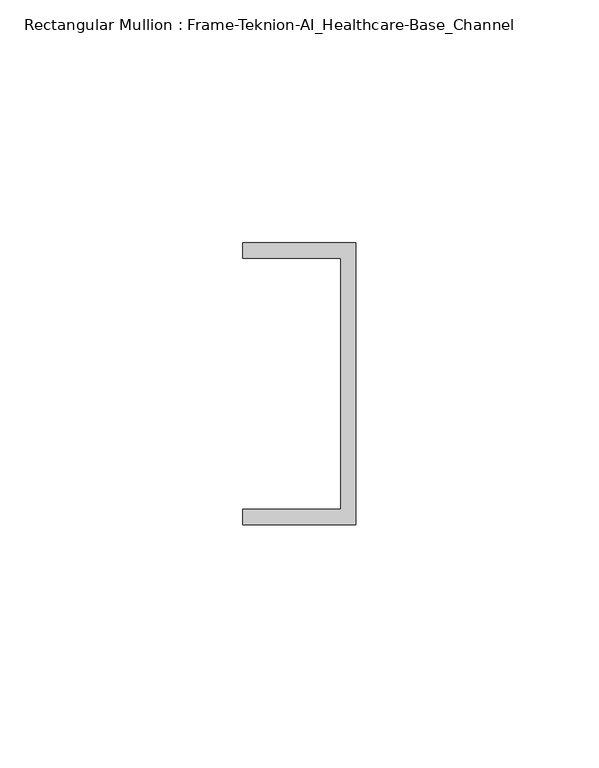
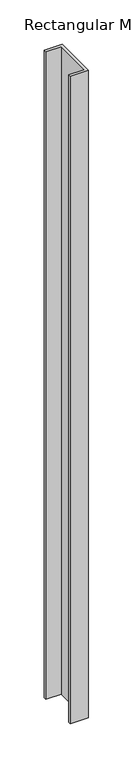
"""IFC4 building model written with IfcOpenShell, lengths in millimetres: member geometry, Rectangular Mullion : Frame-Teknion-AI_Healthcare-Base_Channel."""

import ifcopenshell
import ifcopenshell.guid

model = None  # the IFC model being written
_history = None  # IfcOwnerHistory: only IFC2X3 demands one
_inside = {}  # id of a spatial element -> (the spatial element, [elements in it])
_under = {}  # id of a project, library or spatial element -> (it, [spatial elements below it])
_declared = {}  # id of a project -> (the project, [libraries it declares])
_typed = {}  # id of a type object -> (the type object, [elements of that type])
_made_of = {}  # id of a material, layer set ... -> (it, [elements and type objects made of it])


def new_model(schema):
    """Start an empty IFC model of exactly this schema.

    Asked for "IFC4X3", IfcOpenShell would pick the latest addendum, in which some entities
    have other attributes; the version numbers below select the first issue.
    IFC2X3 requires an IfcOwnerHistory on every rooted entity: one is made here for all.
    """
    global model, _history
    if schema == "IFC4X3":
        model = ifcopenshell.file(schema_version=(4, 3, 0, 0))
    else:
        model = ifcopenshell.file(schema=schema)
    _inside.clear()
    _under.clear()
    _declared.clear()
    _typed.clear()
    _made_of.clear()
    _history = None
    if model.schema == "IFC2X3":
        org = make("IfcOrganization", Name="unknown")
        user = make(
            "IfcPersonAndOrganization",
            ThePerson=make("IfcPerson", FamilyName="unknown"),
            TheOrganization=org,
        )
        app = make(
            "IfcApplication",
            ApplicationDeveloper=org,
            Version="unknown",
            ApplicationFullName="unknown",
            ApplicationIdentifier="unknown",
        )
        _history = make(
            "IfcOwnerHistory",
            OwningUser=user,
            OwningApplication=app,
            ChangeAction="ADDED",
            CreationDate=0,
        )
    return model


def make(cls, **values):
    """One entity of the class cls with the attributes given. An attribute that is None is left unset."""
    return model.create_entity(
        cls, **{name: value for name, value in values.items() if value is not None}
    )


def rooted(cls, **values):
    """An entity with a GlobalId (a new one), such as an element, a storey or a relation."""
    return make(cls, GlobalId=ifcopenshell.guid.new(), OwnerHistory=_history, **values)


def si_unit(unit_type, name, prefix=None):
    """IfcSIUnit, for example si_unit("LENGTHUNIT", "METRE", prefix="MILLI")."""
    return make("IfcSIUnit", UnitType=unit_type, Prefix=prefix, Name=name)


def assignment(units):
    """IfcUnitAssignment: the units of a project."""
    return None if units is None else make("IfcUnitAssignment", Units=units)


def point(xyz):
    """IfcCartesianPoint."""
    return None if xyz is None else make("IfcCartesianPoint", Coordinates=xyz)


def direction(xyz):
    """IfcDirection."""
    return None if xyz is None else make("IfcDirection", DirectionRatios=xyz)


def frame(location, z_axis=None, x_axis=None):
    """IfcAxis2Placement3D, a coordinate frame: its origin and axes. An axis left out is left unset."""
    return make(
        "IfcAxis2Placement3D",
        Location=point(location),
        Axis=direction(z_axis),
        RefDirection=direction(x_axis),
    )


def origin():
    """The frame at (0, 0, 0) with its axes left unset."""
    return frame((0.0, 0.0, 0.0))


def place(relative_to, where):
    """IfcLocalPlacement: puts the frame where relative to a parent placement (None: the world)."""
    return make(
        "IfcLocalPlacement", PlacementRelTo=relative_to, RelativePlacement=where
    )


def context(
    kind, dimensions, precision=None, world=None, true_north=None, identifier=None
):
    """IfcGeometricRepresentationContext, for example the 3D "Model" context."""
    return make(
        "IfcGeometricRepresentationContext",
        ContextIdentifier=identifier,
        ContextType=kind,
        CoordinateSpaceDimension=dimensions,
        Precision=precision,
        WorldCoordinateSystem=world,
        TrueNorth=true_north,
    )


def project(units=None, contexts=None):
    """IfcProject with its units and contexts."""
    return rooted(
        "IfcProject",
        Name="project",
        RepresentationContexts=contexts,
        UnitsInContext=assignment(units),
    )


def spatial(cls, under=None, at=None, **own):
    """A site, building, storey or space (cls), placed at a placement, below another one or the project."""
    s = rooted(cls, ObjectPlacement=at, **own)
    if under is not None:
        _under.setdefault(under.id(), (under, []))[1].append(s)
    return s


def polyline(points):
    """IfcPolyline through the points."""
    return make("IfcPolyline", Points=[point(p) for p in points])


def outline(outer, holes=None, kind="AREA"):
    """IfcArbitraryClosedProfileDef: a profile drawn as a closed curve; with holes, ...WithVoids."""
    if holes is None:
        return make("IfcArbitraryClosedProfileDef", ProfileType=kind, OuterCurve=outer)
    return make(
        "IfcArbitraryProfileDefWithVoids",
        ProfileType=kind,
        OuterCurve=outer,
        InnerCurves=holes,
    )


def extrude(swept, where, along, depth):
    """IfcExtrudedAreaSolid: the profile swept, set in the frame where, extruded along a direction by depth."""
    return make(
        "IfcExtrudedAreaSolid",
        SweptArea=swept,
        Position=where,
        ExtrudedDirection=direction(along),
        Depth=depth,
    )


def shape(context_of_items, identifier, shape_type, items):
    """IfcShapeRepresentation: the items that make up one representation, for example the "Body"."""
    return make(
        "IfcShapeRepresentation",
        ContextOfItems=context_of_items,
        RepresentationIdentifier=identifier,
        RepresentationType=shape_type,
        Items=items,
    )


def source(mapping_origin, context_of_items, identifier, shape_type, items):
    """IfcRepresentationMap: a shape defined once, which mapped items show again and again."""
    return make(
        "IfcRepresentationMap",
        MappingOrigin=mapping_origin,
        MappedRepresentation=shape(context_of_items, identifier, shape_type, items),
    )


def transform(
    local_origin,
    x_axis=None,
    y_axis=None,
    z_axis=None,
    scale=None,
    scale2=None,
    scale3=None,
    uniform=True,
):
    """IfcCartesianTransformationOperator3D, or its non-uniform kind. x_axis, y_axis, z_axis: its Axis1, 2, 3."""
    if uniform:
        return make(
            "IfcCartesianTransformationOperator3D",
            Axis1=direction(x_axis),
            Axis2=direction(y_axis),
            LocalOrigin=point(local_origin),
            Scale=scale,
            Axis3=direction(z_axis),
        )
    return make(
        "IfcCartesianTransformationOperator3DnonUniform",
        Axis1=direction(x_axis),
        Axis2=direction(y_axis),
        LocalOrigin=point(local_origin),
        Scale=scale,
        Axis3=direction(z_axis),
        Scale2=scale2,
        Scale3=scale3,
    )


def mapped(mapping_source, mapping_target):
    """IfcMappedItem: shows the shape of a source again, moved by a transform."""
    return make(
        "IfcMappedItem", MappingSource=mapping_source, MappingTarget=mapping_target
    )


def made_of(thing, what):
    """Note that an element or type object is made of a material, layer set ...; save() writes the relation."""
    if what is not None:
        _made_of.setdefault(what.id(), (what, []))[1].append(thing)
    return thing


def element(
    cls,
    number,
    at=None,
    inside=None,
    cuts=None,
    type_object=None,
    material=None,
    context=None,
    identifier="Body",
    shape_type=None,
    held_by="IfcProductDefinitionShape",
    body=None,
    shapes=None,
    **own,
):
    """One element of the class cls, such as IfcWall. Its Tag is "e" and its number.

    at: its placement. inside: the storey or other place that contains it. cuts: it is an
    opening in that element (IfcRelVoidsElement). A single representation is given by context,
    identifier, shape_type and body (its items); several are given by shapes. held_by: the class
    of the entity that holds the representations. save() writes the other relations.
    """
    e = rooted(cls, Tag="e%d" % number, ObjectPlacement=at, **own)
    if body is not None:
        shapes = [shape(context, identifier, shape_type, body)]
    if shapes is not None:
        e.Representation = make(held_by, Representations=shapes)
    if inside is not None:
        _inside.setdefault(inside.id(), (inside, []))[1].append(e)
    if cuts is not None:
        rooted(
            "IfcRelVoidsElement", RelatingBuildingElement=cuts, RelatedOpeningElement=e
        )
    if type_object is not None:
        _typed.setdefault(type_object.id(), (type_object, []))[1].append(e)
    return made_of(e, material)


def aggregate(whole, parts):
    """IfcRelAggregates: a whole, such as a stair, and the parts it consists of."""
    return rooted("IfcRelAggregates", RelatingObject=whole, RelatedObjects=parts)


def save(model, path):
    """Write the relations noted so far, then the file.

    IfcRelAggregates (storeys below a building ...), IfcRelContainedInSpatialStructure (elements
    in a storey), IfcRelDefinesByType, IfcRelAssociatesMaterial and IfcRelDeclares: one each for
    every whole, place, type object, material and project.
    """
    for whole, parts in _under.values():
        aggregate(whole, parts)
    for where, things in _inside.values():
        rooted(
            "IfcRelContainedInSpatialStructure",
            RelatedElements=things,
            RelatingStructure=where,
        )
    for kind, things in _typed.values():
        rooted("IfcRelDefinesByType", RelatedObjects=things, RelatingType=kind)
    for what, things in _made_of.values():
        rooted("IfcRelAssociatesMaterial", RelatedObjects=things, RelatingMaterial=what)
    for by, libraries in _declared.values():
        rooted("IfcRelDeclares", RelatingContext=by, RelatedDefinitions=libraries)
    model.write(path)


def rectangular_mullion_frame_teknion_ai_healthcare_base_channel_90f7dc08(model_context):
    return source(origin(), model_context, "Body", "SweptSolid", [
        extrude(outline(polyline([(0.0, 29.0214844), (0.0, -29.0214844), (-23.3164063, -29.0214844), (-23.3164063, -25.8464844), (-3.175, -25.8464844), (-3.175, 25.8464844), (-23.3164063, 25.8464844), (-23.3164063, 29.0214844), (0.0, 29.0214844)])), frame((0.0, 0.0, -889.0), z_axis=(0.0, 0.0, 1.0), x_axis=(1.0, 0.0, 0.0)), (0.0, 0.0, 1.0), 889.0),
    ])


if __name__ == "__main__":
    model = new_model("IFC4")
    model_context = context("Model", 3, world=origin())
    ifc_project = project(units=[si_unit("LENGTHUNIT", "METRE", prefix="MILLI")], contexts=[model_context])
    site = spatial("IfcSite", under=ifc_project)
    building = spatial("IfcBuilding", under=site)
    placement = place(None, origin())
    rectangular_mullion_frame_teknion_ai_healthcare_base_channel_shape = rectangular_mullion_frame_teknion_ai_healthcare_base_channel_90f7dc08(model_context)
    element("IfcMember", 1, ObjectType="Rectangular Mullion : Frame-Teknion-AI_Healthcare-Base_Channel", at=placement, inside=building, context=model_context, shape_type="MappedRepresentation", body=[
        mapped(rectangular_mullion_frame_teknion_ai_healthcare_base_channel_shape, transform((0.0, 0.0, 0.0), x_axis=(1.0, 0.0, 0.0), y_axis=(0.0, 1.0, 0.0), z_axis=(0.0, 0.0, 1.0))),
    ])
    save(model, "model.ifc")
